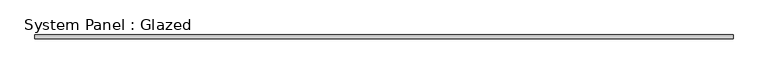
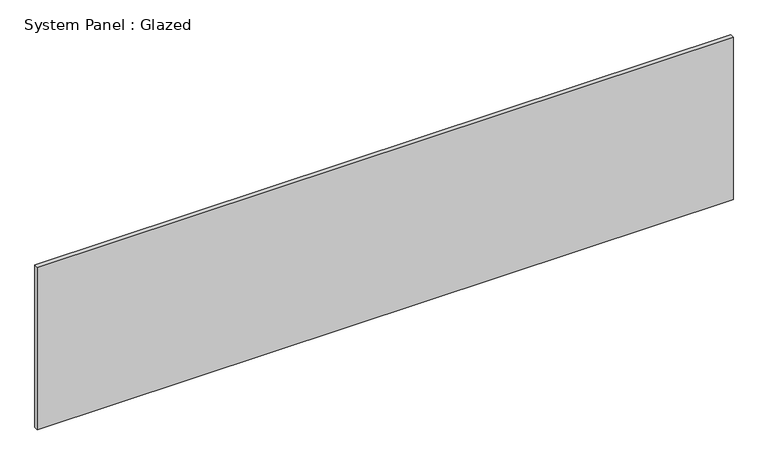
"""IFC4 building model written with IfcOpenShell, lengths in millimetres: plate geometry, System Panel : Glazed."""

from ifc_helpers import new_model, si_unit, origin, origin_with_axes, place, context, project, spatial, polyline, outline, extrude, source, transform, mapped, element, save


def system_panel_glazed_15b84752(model_context):
    return source(origin(), model_context, "Body", "SweptSolid", [
        extrude(outline(polyline([(2339.6172358, 19.05), (-2339.6172358, 19.05), (-2339.6172358, 44.45), (2339.6172358, 44.45), (2339.6172358, 19.05)])), origin_with_axes(), (0.0, 0.0, 1.0), 1155.7),
    ])


if __name__ == "__main__":
    model = new_model("IFC4")
    model_context = context("Model", 3, world=origin())
    ifc_project = project(units=[si_unit("LENGTHUNIT", "METRE", prefix="MILLI")], contexts=[model_context])
    site = spatial("IfcSite", under=ifc_project)
    building = spatial("IfcBuilding", under=site)
    placement = place(None, origin())
    system_panel_glazed_shape = system_panel_glazed_15b84752(model_context)
    element("IfcPlate", 1, ObjectType="System Panel : Glazed", at=placement, inside=building, context=model_context, shape_type="MappedRepresentation", body=[
        mapped(system_panel_glazed_shape, transform((0.0, 0.0, 0.0), x_axis=(1.0, 0.0, 0.0), y_axis=(0.0, 1.0, 0.0), z_axis=(0.0, 0.0, 1.0))),
    ])
    save(model, "model.ifc")
